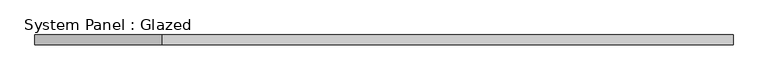
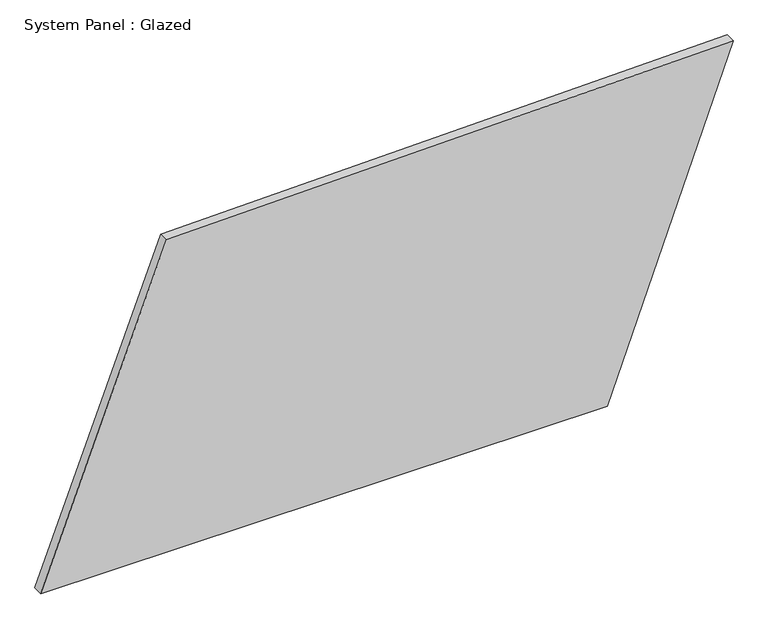
"""IFC4 building model written with IfcOpenShell, lengths in millimetres: plate geometry, System Panel : Glazed."""

from ifc_helpers import new_model, si_unit, frame, origin, place, context, project, spatial, polyline, outline, extrude, source, transform, mapped, element, save


def system_panel_glazed_686af8a3(model_context):
    return source(origin(), model_context, "Body", "SweptSolid", [
        extrude(outline(polyline([(0.0, -877.4233329), (0.0, 557.9378882), (867.3312406, 877.4233329), (835.8859375, -558.8813818), (0.0, -877.4233329)])), frame((0.0, -49.5, 0.0), z_axis=(0.0, 1.0, 0.0), x_axis=(0.0, 0.0, 1.0)), (0.0, 0.0, 1.0), 25.0),
    ])


if __name__ == "__main__":
    model = new_model("IFC4")
    model_context = context("Model", 3, world=origin())
    ifc_project = project(units=[si_unit("LENGTHUNIT", "METRE", prefix="MILLI")], contexts=[model_context])
    site = spatial("IfcSite", under=ifc_project)
    building = spatial("IfcBuilding", under=site)
    placement = place(None, origin())
    system_panel_glazed_shape = system_panel_glazed_686af8a3(model_context)
    element("IfcPlate", 1, ObjectType="System Panel : Glazed", at=placement, inside=building, context=model_context, shape_type="MappedRepresentation", body=[
        mapped(system_panel_glazed_shape, transform((0.0, 0.0, 0.0), x_axis=(1.0, 0.0, 0.0), y_axis=(0.0, 1.0, 0.0), z_axis=(0.0, 0.0, 1.0))),
    ])
    save(model, "model.ifc")
